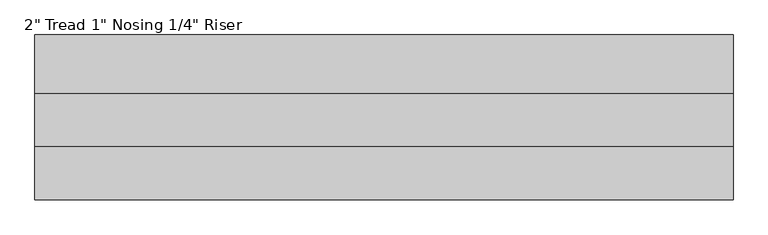
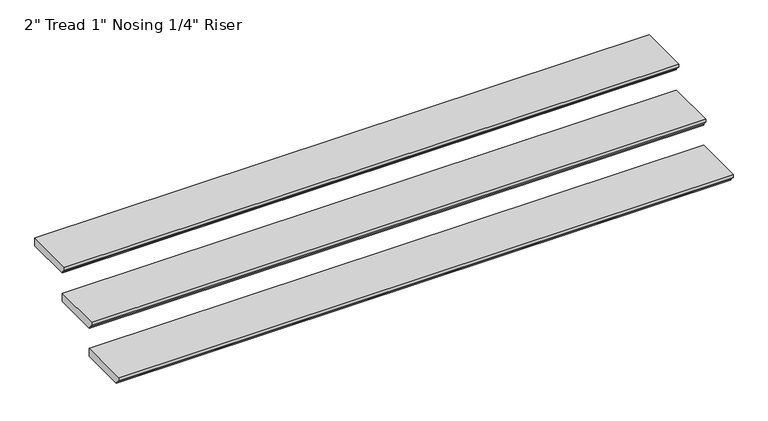
"""IFC4 building model written with IfcOpenShell, lengths in millimetres: stair flight geometry."""

from ifc_helpers import new_model, si_unit, frame, origin, place, context, project, spatial, polyline, outline, extrude, source, transform, mapped, element, save


def stair_flight_d2302324(model_context):
    return source(origin(), model_context, "Body", "SweptSolid", [
        extrude(outline(polyline([(-1225.6235697, 990.6), (-920.8235697, 990.6), (-920.8235697, 939.8), (-1200.2235697, 939.8), (-1200.2235697, 946.15), (-1225.6235697, 971.55), (-1225.6235697, 990.6)])), frame((-9777.7809414, 0.0, 0.0), z_axis=(1.0, 0.0, 0.0), x_axis=(0.0, 1.0, 0.0)), (0.0, 0.0, 1.0), 3657.6),
        extrude(outline(polyline([(-946.2235697, 1168.4), (-641.4235697, 1168.4), (-641.4235697, 1117.6), (-920.8235697, 1117.6), (-920.8235697, 1123.95), (-946.2235697, 1149.35), (-946.2235697, 1168.4)])), frame((-9777.7809414, 0.0, 0.0), z_axis=(1.0, 0.0, 0.0), x_axis=(0.0, 1.0, 0.0)), (0.0, 0.0, 1.0), 3657.6),
        extrude(outline(polyline([(-666.8235697, 1346.2), (-362.0235697, 1346.2), (-362.0235697, 1295.4), (-641.4235697, 1295.4), (-641.4235697, 1301.75), (-666.8235697, 1327.15), (-666.8235697, 1346.2)])), frame((-9777.7809414, 0.0, 0.0), z_axis=(1.0, 0.0, 0.0), x_axis=(0.0, 1.0, 0.0)), (0.0, 0.0, 1.0), 3657.6),
    ])


if __name__ == "__main__":
    model = new_model("IFC4")
    model_context = context("Model", 3, world=origin())
    ifc_project = project(units=[si_unit("LENGTHUNIT", "METRE", prefix="MILLI")], contexts=[model_context])
    site = spatial("IfcSite", under=ifc_project)
    building = spatial("IfcBuilding", under=site)
    placement = place(None, origin())
    stair_flight_shape = stair_flight_d2302324(model_context)
    element("IfcStairFlight", 1, ObjectType="2\" Tread 1\" Nosing 1/4\" Riser", at=placement, inside=building, context=model_context, shape_type="MappedRepresentation", body=[
        mapped(stair_flight_shape, transform((0.0, 0.0, 0.0), x_axis=(1.0, 0.0, 0.0), y_axis=(0.0, 1.0, 0.0), z_axis=(0.0, 0.0, 1.0))),
    ])
    save(model, "model.ifc")
